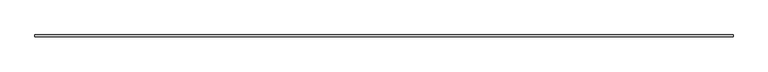
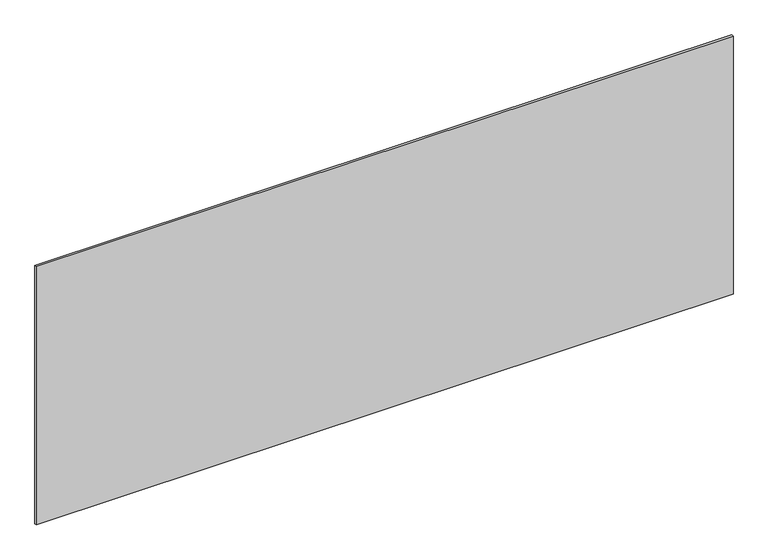
"""IFC4 building model written with IfcOpenShell, lengths in millimetres: plate geometry."""

from ifc_helpers import new_model, si_unit, origin, origin_with_axes, place, context, project, spatial, polyline, outline, extrude, source, transform, mapped, element, save


def plate_8eeb7153(model_context):
    return source(origin(), model_context, "Body", "SweptSolid", [
        extrude(outline(polyline([(1697.5, -5.0), (-1697.5, -5.0), (-1697.5, 5.0), (1697.5, 5.0), (1697.5, -5.0)])), origin_with_axes(), (0.0, 0.0, 1.0), 1330.1743306),
    ])


if __name__ == "__main__":
    model = new_model("IFC4")
    model_context = context("Model", 3, world=origin())
    ifc_project = project(units=[si_unit("LENGTHUNIT", "METRE", prefix="MILLI")], contexts=[model_context])
    site = spatial("IfcSite", under=ifc_project)
    building = spatial("IfcBuilding", under=site)
    placement = place(None, origin())
    plate_shape = plate_8eeb7153(model_context)
    element("IfcPlate", 1, at=placement, inside=building, context=model_context, shape_type="MappedRepresentation", body=[
        mapped(plate_shape, transform((0.0, 0.0, 0.0), x_axis=(1.0, 0.0, 0.0), y_axis=(0.0, 1.0, 0.0), z_axis=(0.0, 0.0, 1.0))),
    ])
    save(model, "model.ifc")
